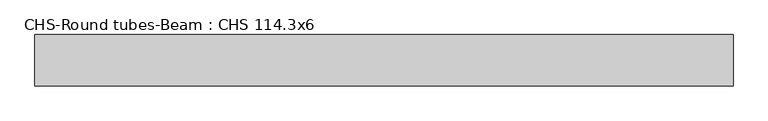
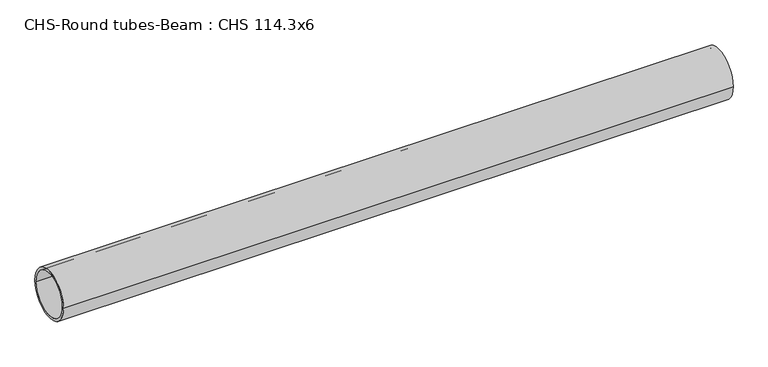
"""IFC4 building model written with IfcOpenShell, lengths in millimetres: beam geometry, CHS-Round tubes-Beam : CHS 114.3x6."""

from ifc_helpers import new_model, si_unit, point, frame, origin, origin_2d, place, context, project, spatial, circle_curve, trimmed, segment, composite_curve, outline, extrude, source, transform, mapped, element, save


def chs_round_tubes_beam_chs_114_3x6_9a99bb2e(model_context):
    return source(origin(), model_context, "Body", "SweptSolid", [
        extrude(outline(composite_curve([segment(trimmed(circle_curve(origin_2d(), 57.15), [point((57.15, 0.0))], [point((-57.15, 0.0))], False, "CARTESIAN"), True, "CONTINUOUS"), segment(trimmed(circle_curve(origin_2d(), 57.15), [point((-57.15, 0.0))], [point((57.15, 0.0))], False, "CARTESIAN"), True, "CONTINUOUS")], self_intersect=False), holes=[composite_curve([segment(trimmed(circle_curve(origin_2d(), 51.15), [point((51.15, 0.0))], [point((-51.15, 0.0))], True, "CARTESIAN"), True, "CONTINUOUS"), segment(trimmed(circle_curve(origin_2d(), 51.15), [point((-51.15, 0.0))], [point((51.15, 0.0))], True, "CARTESIAN"), True, "CONTINUOUS")], self_intersect=False)]), frame((-744.7470422, 0.0, 0.0), z_axis=(1.0, 0.0, 0.0), x_axis=(0.0, 1.0, 0.0)), (0.0, 0.0, 1.0), 1548.4865835),
    ])


if __name__ == "__main__":
    model = new_model("IFC4")
    model_context = context("Model", 3, world=origin())
    ifc_project = project(units=[si_unit("LENGTHUNIT", "METRE", prefix="MILLI")], contexts=[model_context])
    site = spatial("IfcSite", under=ifc_project)
    building = spatial("IfcBuilding", under=site)
    placement = place(None, origin())
    chs_round_tubes_beam_chs_114_3x6_shape = chs_round_tubes_beam_chs_114_3x6_9a99bb2e(model_context)
    element("IfcBeam", 1, ObjectType="CHS-Round tubes-Beam : CHS 114.3x6", at=placement, inside=building, context=model_context, shape_type="MappedRepresentation", body=[
        mapped(chs_round_tubes_beam_chs_114_3x6_shape, transform((0.0, 0.0, 0.0), x_axis=(1.0, 0.0, 0.0), y_axis=(0.0, 1.0, 0.0), z_axis=(0.0, 0.0, 1.0))),
    ])
    save(model, "model.ifc")
